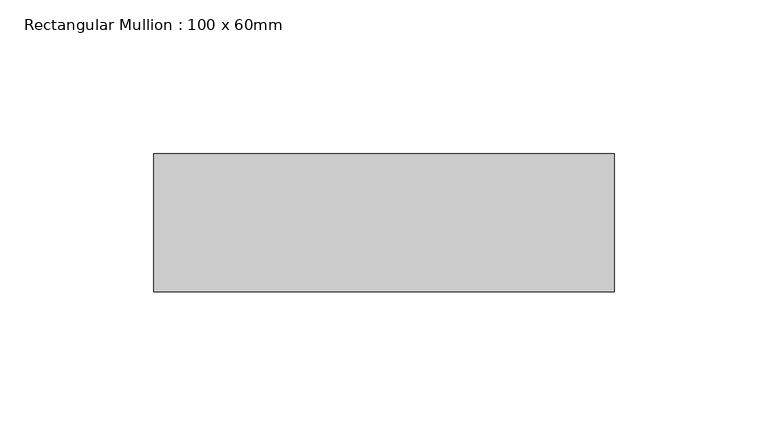
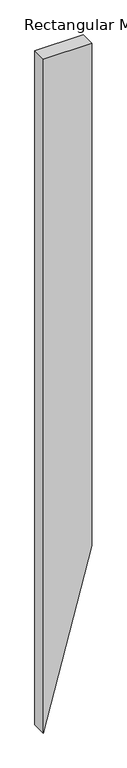
"""IFC4 building model written with IfcOpenShell, lengths in millimetres: member geometry, Rectangular Mullion : 100 x 60mm."""

from ifc_helpers import new_model, si_unit, frame, origin, place, context, project, spatial, polyline, outline, extrude, source, transform, mapped, element, save


def rectangular_mullion_100_x_60mm_1f36aa4a(model_context):
    return source(origin(), model_context, "Body", "SweptSolid", [
        extrude(outline(polyline([(0.0, 75.0), (0.0, -75.0), (-2201.1505182, -75.0), (-1641.3428971, 75.0), (0.0, 75.0)])), frame((0.0, -15.0, 0.0), z_axis=(0.0, 1.0, 0.0), x_axis=(0.0, 0.0, 1.0)), (0.0, 0.0, 1.0), 45.0),
    ])


if __name__ == "__main__":
    model = new_model("IFC4")
    model_context = context("Model", 3, world=origin())
    ifc_project = project(units=[si_unit("LENGTHUNIT", "METRE", prefix="MILLI")], contexts=[model_context])
    site = spatial("IfcSite", under=ifc_project)
    building = spatial("IfcBuilding", under=site)
    placement = place(None, origin())
    rectangular_mullion_100_x_60mm_shape = rectangular_mullion_100_x_60mm_1f36aa4a(model_context)
    element("IfcMember", 1, ObjectType="Rectangular Mullion : 100 x 60mm", at=placement, inside=building, context=model_context, shape_type="MappedRepresentation", body=[
        mapped(rectangular_mullion_100_x_60mm_shape, transform((0.0, 0.0, 0.0), x_axis=(1.0, 0.0, 0.0), y_axis=(0.0, 1.0, 0.0), z_axis=(0.0, 0.0, 1.0))),
    ])
    save(model, "model.ifc")
